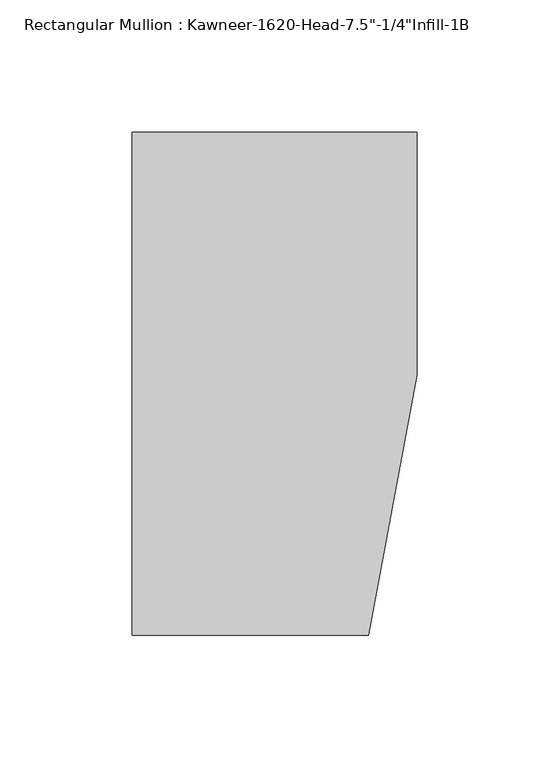
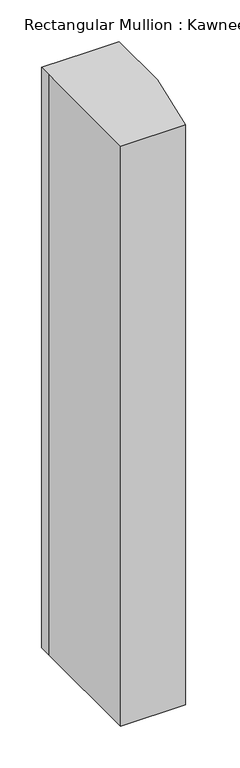
"""IFC4 building model written with IfcOpenShell, lengths in millimetres: member geometry."""

from ifc_helpers import new_model, si_unit, frame, origin, place, context, project, spatial, polyline, outline, extrude, source, transform, mapped, element, save


def member_eec06521(model_context):
    return source(origin(), model_context, "Body", "SweptSolid", [
        extrude(outline(polyline([(-107.95, 10.3845466), (-107.95, 28.575), (-44.1519366, 28.575), (0.0, 28.575), (0.0, -63.5), (-18.3538271, -161.925), (-107.95, -161.925), (-107.95, 10.3845466)])), frame((0.0, 0.0, -850.9), z_axis=(0.0, 0.0, 1.0), x_axis=(1.0, 0.0, 0.0)), (0.0, 0.0, 1.0), 850.9),
    ])


if __name__ == "__main__":
    model = new_model("IFC4")
    model_context = context("Model", 3, world=origin())
    ifc_project = project(units=[si_unit("LENGTHUNIT", "METRE", prefix="MILLI")], contexts=[model_context])
    site = spatial("IfcSite", under=ifc_project)
    building = spatial("IfcBuilding", under=site)
    placement = place(None, origin())
    member_shape = member_eec06521(model_context)
    element("IfcMember", 1, ObjectType="Rectangular Mullion : Kawneer-1620-Head-7.5\"-1/4\"Infill-1B", at=placement, inside=building, context=model_context, shape_type="MappedRepresentation", body=[
        mapped(member_shape, transform((0.0, 0.0, 0.0), x_axis=(1.0, 0.0, 0.0), y_axis=(0.0, 1.0, 0.0), z_axis=(0.0, 0.0, 1.0))),
    ])
    save(model, "model.ifc")
